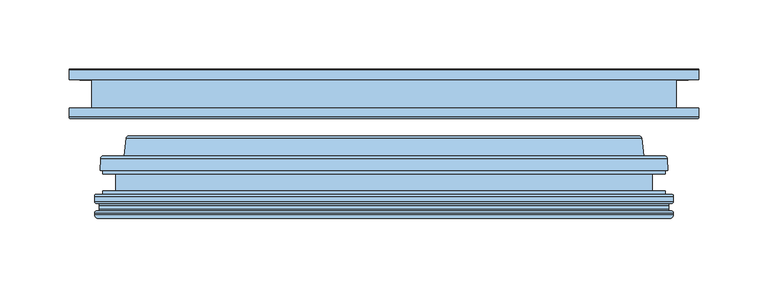
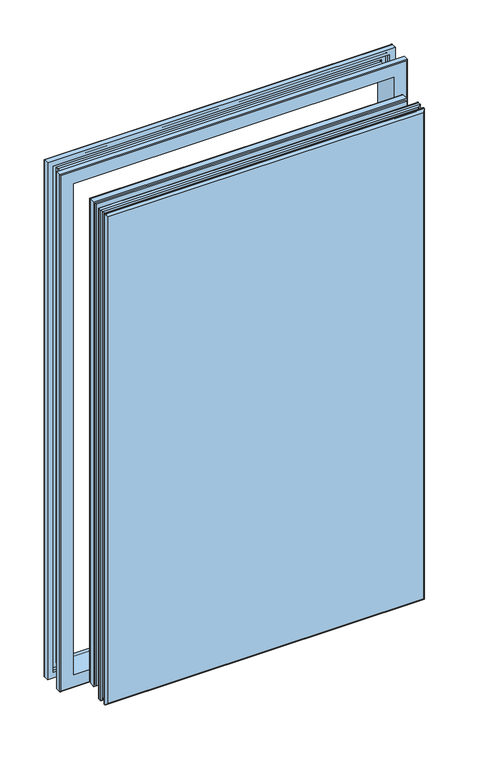
"""IFC4 building model written with IfcOpenShell, lengths in millimetres: window geometry."""

import ifcopenshell
import ifcopenshell.guid

model = None  # the IFC model being written
_history = None  # IfcOwnerHistory: only IFC2X3 demands one
_inside = {}  # id of a spatial element -> (the spatial element, [elements in it])
_under = {}  # id of a project, library or spatial element -> (it, [spatial elements below it])
_declared = {}  # id of a project -> (the project, [libraries it declares])
_typed = {}  # id of a type object -> (the type object, [elements of that type])
_made_of = {}  # id of a material, layer set ... -> (it, [elements and type objects made of it])


def new_model(schema):
    """Start an empty IFC model of exactly this schema.

    Asked for "IFC4X3", IfcOpenShell would pick the latest addendum, in which some entities
    have other attributes; the version numbers below select the first issue.
    IFC2X3 requires an IfcOwnerHistory on every rooted entity: one is made here for all.
    """
    global model, _history
    if schema == "IFC4X3":
        model = ifcopenshell.file(schema_version=(4, 3, 0, 0))
    else:
        model = ifcopenshell.file(schema=schema)
    _inside.clear()
    _under.clear()
    _declared.clear()
    _typed.clear()
    _made_of.clear()
    _history = None
    if model.schema == "IFC2X3":
        org = make("IfcOrganization", Name="unknown")
        user = make(
            "IfcPersonAndOrganization",
            ThePerson=make("IfcPerson", FamilyName="unknown"),
            TheOrganization=org,
        )
        app = make(
            "IfcApplication",
            ApplicationDeveloper=org,
            Version="unknown",
            ApplicationFullName="unknown",
            ApplicationIdentifier="unknown",
        )
        _history = make(
            "IfcOwnerHistory",
            OwningUser=user,
            OwningApplication=app,
            ChangeAction="ADDED",
            CreationDate=0,
        )
    return model


def make(cls, **values):
    """One entity of the class cls with the attributes given. An attribute that is None is left unset."""
    return model.create_entity(
        cls, **{name: value for name, value in values.items() if value is not None}
    )


def rooted(cls, **values):
    """An entity with a GlobalId (a new one), such as an element, a storey or a relation."""
    return make(cls, GlobalId=ifcopenshell.guid.new(), OwnerHistory=_history, **values)


def si_unit(unit_type, name, prefix=None):
    """IfcSIUnit, for example si_unit("LENGTHUNIT", "METRE", prefix="MILLI")."""
    return make("IfcSIUnit", UnitType=unit_type, Prefix=prefix, Name=name)


def assignment(units):
    """IfcUnitAssignment: the units of a project."""
    return None if units is None else make("IfcUnitAssignment", Units=units)


def point(xyz):
    """IfcCartesianPoint."""
    return None if xyz is None else make("IfcCartesianPoint", Coordinates=xyz)


def direction(xyz):
    """IfcDirection."""
    return None if xyz is None else make("IfcDirection", DirectionRatios=xyz)


def frame(location, z_axis=None, x_axis=None):
    """IfcAxis2Placement3D, a coordinate frame: its origin and axes. An axis left out is left unset."""
    return make(
        "IfcAxis2Placement3D",
        Location=point(location),
        Axis=direction(z_axis),
        RefDirection=direction(x_axis),
    )


def origin():
    """The frame at (0, 0, 0) with its axes left unset."""
    return frame((0.0, 0.0, 0.0))


def place(relative_to, where):
    """IfcLocalPlacement: puts the frame where relative to a parent placement (None: the world)."""
    return make(
        "IfcLocalPlacement", PlacementRelTo=relative_to, RelativePlacement=where
    )


def context(
    kind, dimensions, precision=None, world=None, true_north=None, identifier=None
):
    """IfcGeometricRepresentationContext, for example the 3D "Model" context."""
    return make(
        "IfcGeometricRepresentationContext",
        ContextIdentifier=identifier,
        ContextType=kind,
        CoordinateSpaceDimension=dimensions,
        Precision=precision,
        WorldCoordinateSystem=world,
        TrueNorth=true_north,
    )


def project(units=None, contexts=None):
    """IfcProject with its units and contexts."""
    return rooted(
        "IfcProject",
        Name="project",
        RepresentationContexts=contexts,
        UnitsInContext=assignment(units),
    )


def spatial(cls, under=None, at=None, **own):
    """A site, building, storey or space (cls), placed at a placement, below another one or the project."""
    s = rooted(cls, ObjectPlacement=at, **own)
    if under is not None:
        _under.setdefault(under.id(), (under, []))[1].append(s)
    return s


def polyline(points):
    """IfcPolyline through the points."""
    return make("IfcPolyline", Points=[point(p) for p in points])


def ellipse_curve(where, semi_axis1, semi_axis2):
    """IfcEllipse in the frame where."""
    return make(
        "IfcEllipse", Position=where, SemiAxis1=semi_axis1, SemiAxis2=semi_axis2
    )


def shape(context_of_items, identifier, shape_type, items):
    """IfcShapeRepresentation: the items that make up one representation, for example the "Body"."""
    return make(
        "IfcShapeRepresentation",
        ContextOfItems=context_of_items,
        RepresentationIdentifier=identifier,
        RepresentationType=shape_type,
        Items=items,
    )


def source(mapping_origin, context_of_items, identifier, shape_type, items):
    """IfcRepresentationMap: a shape defined once, which mapped items show again and again."""
    return make(
        "IfcRepresentationMap",
        MappingOrigin=mapping_origin,
        MappedRepresentation=shape(context_of_items, identifier, shape_type, items),
    )


def transform(
    local_origin,
    x_axis=None,
    y_axis=None,
    z_axis=None,
    scale=None,
    scale2=None,
    scale3=None,
    uniform=True,
):
    """IfcCartesianTransformationOperator3D, or its non-uniform kind. x_axis, y_axis, z_axis: its Axis1, 2, 3."""
    if uniform:
        return make(
            "IfcCartesianTransformationOperator3D",
            Axis1=direction(x_axis),
            Axis2=direction(y_axis),
            LocalOrigin=point(local_origin),
            Scale=scale,
            Axis3=direction(z_axis),
        )
    return make(
        "IfcCartesianTransformationOperator3DnonUniform",
        Axis1=direction(x_axis),
        Axis2=direction(y_axis),
        LocalOrigin=point(local_origin),
        Scale=scale,
        Axis3=direction(z_axis),
        Scale2=scale2,
        Scale3=scale3,
    )


def mapped(mapping_source, mapping_target):
    """IfcMappedItem: shows the shape of a source again, moved by a transform."""
    return make(
        "IfcMappedItem", MappingSource=mapping_source, MappingTarget=mapping_target
    )


def made_of(thing, what):
    """Note that an element or type object is made of a material, layer set ...; save() writes the relation."""
    if what is not None:
        _made_of.setdefault(what.id(), (what, []))[1].append(thing)
    return thing


def element(
    cls,
    number,
    at=None,
    inside=None,
    cuts=None,
    type_object=None,
    material=None,
    context=None,
    identifier="Body",
    shape_type=None,
    held_by="IfcProductDefinitionShape",
    body=None,
    shapes=None,
    **own,
):
    """One element of the class cls, such as IfcWall. Its Tag is "e" and its number.

    at: its placement. inside: the storey or other place that contains it. cuts: it is an
    opening in that element (IfcRelVoidsElement). A single representation is given by context,
    identifier, shape_type and body (its items); several are given by shapes. held_by: the class
    of the entity that holds the representations. save() writes the other relations.
    """
    e = rooted(cls, Tag="e%d" % number, ObjectPlacement=at, **own)
    if body is not None:
        shapes = [shape(context, identifier, shape_type, body)]
    if shapes is not None:
        e.Representation = make(held_by, Representations=shapes)
    if inside is not None:
        _inside.setdefault(inside.id(), (inside, []))[1].append(e)
    if cuts is not None:
        rooted(
            "IfcRelVoidsElement", RelatingBuildingElement=cuts, RelatedOpeningElement=e
        )
    if type_object is not None:
        _typed.setdefault(type_object.id(), (type_object, []))[1].append(e)
    return made_of(e, material)


def aggregate(whole, parts):
    """IfcRelAggregates: a whole, such as a stair, and the parts it consists of."""
    return rooted("IfcRelAggregates", RelatingObject=whole, RelatedObjects=parts)


def save(model, path):
    """Write the relations noted so far, then the file.

    IfcRelAggregates (storeys below a building ...), IfcRelContainedInSpatialStructure (elements
    in a storey), IfcRelDefinesByType, IfcRelAssociatesMaterial and IfcRelDeclares: one each for
    every whole, place, type object, material and project.
    """
    for whole, parts in _under.values():
        aggregate(whole, parts)
    for where, things in _inside.values():
        rooted(
            "IfcRelContainedInSpatialStructure",
            RelatedElements=things,
            RelatingStructure=where,
        )
    for kind, things in _typed.values():
        rooted("IfcRelDefinesByType", RelatedObjects=things, RelatingType=kind)
    for what, things in _made_of.values():
        rooted("IfcRelAssociatesMaterial", RelatedObjects=things, RelatingMaterial=what)
    for by, libraries in _declared.values():
        rooted("IfcRelDeclares", RelatingContext=by, RelatedDefinitions=libraries)
    model.write(path)


def plane_surface(at):
    """IfcPlane: the flat surface through the origin of the frame at, square to its z axis."""
    return make("IfcPlane", Position=at)


def cylinder_surface(at, radius):
    """IfcCylindricalSurface: all points at the distance radius from the z axis of the frame at."""
    return make("IfcCylindricalSurface", Position=at, Radius=radius)


def revolved_surface(curve, axis_point, axis_direction):
    """IfcSurfaceOfRevolution: the curve turned about the line through axis_point along axis_direction."""
    return make(
        "IfcSurfaceOfRevolution",
        SweptCurve=make("IfcArbitraryOpenProfileDef", ProfileType="CURVE", Curve=curve),
        AxisPosition=make("IfcAxis1Placement", Location=point(axis_point), Axis=direction(axis_direction)),
    )


def advanced_brep(points, edges, surfaces, faces):
    """IfcAdvancedBrep: a solid bounded by faces that lie on surfaces and meet in shared edges.

    An edge is (start, end): straight between two places in points (the first is 0);
    or (start, end, curve); or (start, end, curve, False) where it runs against its curve.
    A face is (place in surfaces, loops), or (place, loops, False) where it looks against
    its surface's normal. A loop lists edges by number (the first is 1), with a minus sign
    where the edge is run from its end to its start. The first loop is the outer one.
    """
    corners = [point(p) for p in points]
    vertices = [make("IfcVertexPoint", VertexGeometry=c) for c in corners]
    made = []
    for start, end, *more in edges:
        made.append(
            make(
                "IfcEdgeCurve",
                EdgeStart=vertices[start],
                EdgeEnd=vertices[end],
                EdgeGeometry=more[0] if more else make("IfcPolyline", Points=[corners[start], corners[end]]),
                SameSense=more[1] if len(more) > 1 else True,
            )
        )
    hull = []
    for where, loops, *sense in faces:
        bounds = []
        for j, loop in enumerate(loops):
            ring = [make("IfcOrientedEdge", EdgeElement=made[abs(k) - 1], Orientation=k > 0) for k in loop]
            bounds.append(
                make(
                    "IfcFaceOuterBound" if j == 0 else "IfcFaceBound",
                    Bound=make("IfcEdgeLoop", EdgeList=ring),
                    Orientation=True,
                )
            )
        hull.append(make("IfcAdvancedFace", Bounds=bounds, FaceSurface=surfaces[where], SameSense=sense[0] if sense else True))
    return make("IfcAdvancedBrep", Outer=make("IfcClosedShell", CfsFaces=hull))


def window_02a7ad2f(model_context):
    return source(origin(), model_context, "Body", "AdvancedBrep", [
        advanced_brep(
        [(228.0000041, 140.9513723, 1564.0000041), (228.0000041, 134.1513723, 1564.0000041), (228.0000041, 134.1513723, 847.9999959), (228.0000041, 140.9513723, 847.9999959), (227.0000041, 141.9513723, 1563.0000041), (227.0000041, 141.9513723, 848.9999959), (210.0000041, 105.9513722, 1546.0000041), (210.0000041, 141.9513723, 1546.0000041), (210.0000041, 141.9513723, 865.9999959), (210.0000041, 105.9513722, 865.9999959), (228.0000041, 106.9513722, 1564.0000041), (227.0000041, 105.9513722, 1563.0000041), (227.0000041, 105.9513722, 848.9999959), (228.0000041, 106.9513722, 847.9999959), (228.0000041, 113.7513722, 1564.0000041), (228.0000041, 113.7513722, 847.9999959), (220.4000041, 109.4513722, 1556.4000041), (220.4000041, 113.7513722, 1556.4000041), (220.4000041, 113.7513722, 855.5999959), (220.4000041, 109.4513722, 855.5999959), (218.9000041, 107.9513722, 1554.9000041), (218.9000041, 107.9513722, 857.0999959), (211.4000041, 109.4513722, 1547.4000041), (212.9000041, 107.9513722, 1548.9000041), (212.9000041, 107.9513722, 863.0999959), (211.4000041, 109.4513722, 864.5999959), (211.4000041, 138.4513723, 1547.4000041), (211.4000041, 138.4513723, 864.5999959), (212.9000041, 139.9513723, 1548.9000041), (212.9000041, 139.9513723, 863.0999959), (220.4000041, 138.4513723, 1556.4000041), (218.9000041, 139.9513723, 1554.9000041), (218.9000041, 139.9513723, 857.0999959), (220.4000041, 138.4513723, 855.5999959), (220.4000041, 134.1513723, 1556.4000041), (220.4000041, 134.1513723, 855.5999959), (-228.0000041, 134.1513723, 847.9999959), (-228.0000041, 140.9513723, 847.9999959), (-227.0000041, 141.9513723, 848.9999959), (-210.0000041, 141.9513723, 865.9999959), (-210.0000041, 105.9513722, 865.9999959), (-227.0000041, 105.9513722, 848.9999959), (-228.0000041, 106.9513722, 847.9999959), (-228.0000041, 113.7513722, 847.9999959), (-220.4000041, 113.7513722, 855.5999959), (-220.4000041, 109.4513722, 855.5999959), (-218.9000041, 107.9513722, 857.0999959), (-212.9000041, 107.9513722, 863.0999959), (-211.4000041, 109.4513722, 864.5999959), (-211.4000041, 138.4513723, 864.5999959), (-212.9000041, 139.9513723, 863.0999959), (-218.9000041, 139.9513723, 857.0999959), (-220.4000041, 138.4513723, 855.5999959), (-220.4000041, 134.1513723, 855.5999959), (-228.0000041, 134.1513723, 1564.0000041), (-228.0000041, 140.9513723, 1564.0000041), (-227.0000041, 141.9513723, 1563.0000041), (-210.0000041, 141.9513723, 1546.0000041), (-210.0000041, 105.9513722, 1546.0000041), (-227.0000041, 105.9513722, 1563.0000041), (-228.0000041, 106.9513722, 1564.0000041), (-228.0000041, 113.7513722, 1564.0000041), (-220.4000041, 113.7513722, 1556.4000041), (-220.4000041, 109.4513722, 1556.4000041), (-218.9000041, 107.9513722, 1554.9000041), (-212.9000041, 107.9513722, 1548.9000041), (-211.4000041, 109.4513722, 1547.4000041), (-211.4000041, 138.4513723, 1547.4000041), (-212.9000041, 139.9513723, 1548.9000041), (-218.9000041, 139.9513723, 1554.9000041), (-220.4000041, 138.4513723, 1556.4000041), (-220.4000041, 134.1513723, 1556.4000041)],
        [
            (0, 1),
            (1, 2),
            (2, 3),
            (3, 0),
            (4, 0, ellipse_curve(frame((227.0000041, 140.9513723, 1563.0000041), z_axis=(0.7071067811865475, 0.0, -0.7071067811865475), x_axis=(0.7071067811865474, 0.0, 0.7071067811865476)), 1.4142136, 1.0)),
            (3, 5, ellipse_curve(frame((227.0000041, 140.9513723, 848.9999959), z_axis=(0.7071067811865475, 0.0, 0.7071067811865475), x_axis=(-0.7071067811865474, 0.0, 0.7071067811865476)), 1.4142136, 1.0)),
            (5, 4),
            (6, 7),
            (7, 8),
            (8, 9),
            (9, 6),
            (10, 11, ellipse_curve(frame((227.0000041, 106.9513722, 1563.0000041), z_axis=(0.7071067811865475, 0.0, -0.7071067811865475), x_axis=(0.7071067811865474, 0.0, 0.7071067811865476)), 1.4142136, 1.0)),
            (11, 12),
            (12, 13, ellipse_curve(frame((227.0000041, 106.9513722, 848.9999959), z_axis=(0.7071067811865475, 0.0, 0.7071067811865475), x_axis=(-0.7071067811865474, 0.0, 0.7071067811865476)), 1.4142136, 1.0)),
            (13, 10),
            (14, 10),
            (13, 15),
            (15, 14),
            (16, 17),
            (17, 18),
            (18, 19),
            (19, 16),
            (20, 16, ellipse_curve(frame((218.9000041, 109.4513722, 1554.9000041), z_axis=(-0.7071067811865475, 0.0, 0.7071067811865475), x_axis=(-0.7071067811865474, 0.0, -0.7071067811865476)), 2.1213203, 1.5)),
            (19, 21, ellipse_curve(frame((218.9000041, 109.4513722, 857.0999959), z_axis=(-0.7071067811865475, 0.0, -0.7071067811865475), x_axis=(0.7071067811865474, 0.0, -0.7071067811865476)), 2.1213203, 1.5)),
            (21, 20),
            (22, 23, ellipse_curve(frame((212.9000041, 109.4513722, 1548.9000041), z_axis=(-0.7071067811865475, 0.0, 0.7071067811865475), x_axis=(-0.7071067811865474, 0.0, -0.7071067811865476)), 2.1213203, 1.5)),
            (23, 24),
            (24, 25, ellipse_curve(frame((212.9000041, 109.4513722, 863.0999959), z_axis=(-0.7071067811865475, 0.0, -0.7071067811865475), x_axis=(0.7071067811865474, 0.0, -0.7071067811865476)), 2.1213203, 1.5)),
            (25, 22),
            (26, 22),
            (25, 27),
            (27, 26),
            (28, 26, ellipse_curve(frame((212.9000041, 138.4513723, 1548.9000041), z_axis=(-0.7071067811865475, 0.0, 0.7071067811865475), x_axis=(-0.7071067811865474, 0.0, -0.7071067811865476)), 2.1213203, 1.5)),
            (27, 29, ellipse_curve(frame((212.9000041, 138.4513723, 863.0999959), z_axis=(-0.7071067811865475, 0.0, -0.7071067811865475), x_axis=(0.7071067811865474, 0.0, -0.7071067811865476)), 2.1213203, 1.5)),
            (29, 28),
            (30, 31, ellipse_curve(frame((218.9000041, 138.4513723, 1554.9000041), z_axis=(-0.7071067811865475, 0.0, 0.7071067811865475), x_axis=(-0.7071067811865474, 0.0, -0.7071067811865476)), 2.1213203, 1.5)),
            (31, 32),
            (32, 33, ellipse_curve(frame((218.9000041, 138.4513723, 857.0999959), z_axis=(-0.7071067811865475, 0.0, -0.7071067811865475), x_axis=(0.7071067811865474, 0.0, -0.7071067811865476)), 2.1213203, 1.5)),
            (33, 30),
            (34, 30),
            (33, 35),
            (35, 34),
            (2, 36),
            (36, 37),
            (37, 3),
            (37, 38, ellipse_curve(frame((-227.0000041, 140.9513723, 848.9999959), z_axis=(0.7071067811865475, 0.0, -0.7071067811865475), x_axis=(0.7071067811865476, 0.0, 0.7071067811865474)), 1.4142136, 1.0)),
            (38, 5),
            (8, 39),
            (39, 40),
            (40, 9),
            (12, 41),
            (41, 42, ellipse_curve(frame((-227.0000041, 106.9513722, 848.9999959), z_axis=(0.7071067811865475, 0.0, -0.7071067811865475), x_axis=(0.7071067811865476, 0.0, 0.7071067811865474)), 1.4142136, 1.0)),
            (42, 13),
            (42, 43),
            (43, 15),
            (18, 44),
            (44, 45),
            (45, 19),
            (45, 46, ellipse_curve(frame((-218.9000041, 109.4513722, 857.0999959), z_axis=(-0.7071067811865475, 0.0, 0.7071067811865475), x_axis=(-0.7071067811865476, 0.0, -0.7071067811865474)), 2.1213203, 1.5)),
            (46, 21),
            (24, 47),
            (47, 48, ellipse_curve(frame((-212.9000041, 109.4513722, 863.0999959), z_axis=(-0.7071067811865475, 0.0, 0.7071067811865475), x_axis=(-0.7071067811865476, 0.0, -0.7071067811865474)), 2.1213203, 1.5)),
            (48, 25),
            (48, 49),
            (49, 27),
            (49, 50, ellipse_curve(frame((-212.9000041, 138.4513723, 863.0999959), z_axis=(-0.7071067811865475, 0.0, 0.7071067811865475), x_axis=(-0.7071067811865476, 0.0, -0.7071067811865474)), 2.1213203, 1.5)),
            (50, 29),
            (32, 51),
            (51, 52, ellipse_curve(frame((-218.9000041, 138.4513723, 857.0999959), z_axis=(-0.7071067811865475, 0.0, 0.7071067811865475), x_axis=(-0.7071067811865476, 0.0, -0.7071067811865474)), 2.1213203, 1.5)),
            (52, 33),
            (52, 53),
            (53, 35),
            (36, 54),
            (54, 55),
            (55, 37),
            (55, 56, ellipse_curve(frame((-227.0000041, 140.9513723, 1563.0000041), z_axis=(-0.7071067811865475, 0.0, -0.7071067811865475), x_axis=(0.7071067811865474, 0.0, -0.7071067811865476)), 1.4142136, 1.0)),
            (56, 38),
            (39, 57),
            (57, 58),
            (58, 40),
            (41, 59),
            (59, 60, ellipse_curve(frame((-227.0000041, 106.9513722, 1563.0000041), z_axis=(-0.7071067811865475, 0.0, -0.7071067811865475), x_axis=(0.7071067811865474, 0.0, -0.7071067811865476)), 1.4142136, 1.0)),
            (60, 42),
            (60, 61),
            (61, 43),
            (44, 62),
            (62, 63),
            (63, 45),
            (63, 64, ellipse_curve(frame((-218.9000041, 109.4513722, 1554.9000041), z_axis=(0.7071067811865475, 0.0, 0.7071067811865475), x_axis=(-0.7071067811865474, 0.0, 0.7071067811865476)), 2.1213203, 1.5)),
            (64, 46),
            (47, 65),
            (65, 66, ellipse_curve(frame((-212.9000041, 109.4513722, 1548.9000041), z_axis=(0.7071067811865475, 0.0, 0.7071067811865475), x_axis=(-0.7071067811865474, 0.0, 0.7071067811865476)), 2.1213203, 1.5)),
            (66, 48),
            (66, 67),
            (67, 49),
            (67, 68, ellipse_curve(frame((-212.9000041, 138.4513723, 1548.9000041), z_axis=(0.7071067811865475, 0.0, 0.7071067811865475), x_axis=(-0.7071067811865474, 0.0, 0.7071067811865476)), 2.1213203, 1.5)),
            (68, 50),
            (51, 69),
            (69, 70, ellipse_curve(frame((-218.9000041, 138.4513723, 1554.9000041), z_axis=(0.7071067811865475, 0.0, 0.7071067811865475), x_axis=(-0.7071067811865474, 0.0, 0.7071067811865476)), 2.1213203, 1.5)),
            (70, 52),
            (70, 71),
            (71, 53),
            (54, 1),
            (0, 55),
            (4, 56),
            (7, 57),
            (6, 58),
            (11, 59),
            (10, 60),
            (14, 61),
            (17, 62),
            (16, 63),
            (20, 64),
            (23, 65),
            (22, 66),
            (26, 67),
            (28, 68),
            (31, 69),
            (30, 70),
            (34, 71),
        ],
        [
            plane_surface(frame((228.0000041, 134.1513723, 1564.0000041), z_axis=(1.0, 0.0, 0.0), x_axis=(0.0, 0.0, -1.0))),
            cylinder_surface(frame((227.0000041, 140.9513723, 1559.0), z_axis=(0.0, 0.0, 1.0), x_axis=(0.0, -1.0, 0.0)), 1.0),
            plane_surface(frame((210.0000041, 141.9513723, 1546.0000041), z_axis=(-1.0, 0.0, 0.0), x_axis=(0.0, 0.0, -1.0))),
            cylinder_surface(frame((227.0000041, 106.9513722, 1559.0), z_axis=(0.0, 0.0, 1.0), x_axis=(0.0, -1.0, 0.0)), 1.0),
            plane_surface(frame((228.0000041, 106.9513722, 1564.0000041), z_axis=(1.0, 0.0, 0.0), x_axis=(0.0, 0.0, -1.0))),
            plane_surface(frame((220.4000041, 113.7513722, 1556.4000041), z_axis=(-1.0, 0.0, 0.0), x_axis=(0.0, 0.0, -1.0))),
            revolved_surface(polyline([(218.9000041, 107.9513722, 855.5999959), (218.9000041, 107.9513722, 1556.4000041)]), (218.9000041, 109.4513722, 1559.0), (0.0, 0.0, -1.0)),
            revolved_surface(polyline([(212.9000041, 107.9513722, 861.5999959308012), (212.9000041, 107.9513722, 1550.4000040691985)]), (212.9000041, 109.4513722, 1559.0), (0.0, 0.0, -1.0)),
            plane_surface(frame((211.4000041, 109.4513722, 1547.4000041), z_axis=(1.0, 0.0, 0.0), x_axis=(0.0, 0.0, -1.0))),
            revolved_surface(polyline([(212.9000041, 136.9513723, 861.5999959308012), (212.9000041, 136.9513723, 1550.4000040691985)]), (212.9000041, 138.4513723, 1559.0), (0.0, 0.0, -1.0)),
            revolved_surface(polyline([(218.9000041, 136.9513723, 855.5999959), (218.9000041, 136.9513723, 1556.4000041)]), (218.9000041, 138.4513723, 1559.0), (0.0, 0.0, -1.0)),
            plane_surface(frame((220.4000041, 138.4513723, 1556.4000041), z_axis=(-1.0, 0.0, 0.0), x_axis=(0.0, 0.0, -1.0))),
            plane_surface(frame((228.0000041, 134.1513723, 847.9999959), z_axis=(0.0, 0.0, -1.0), x_axis=(-1.0, 0.0, 0.0))),
            cylinder_surface(frame((223.0, 140.9513723, 848.9999959), z_axis=(1.0, 0.0, 0.0), x_axis=(0.0, -1.0, 0.0)), 1.0),
            plane_surface(frame((210.0000041, 141.9513723, 865.9999959), z_axis=(0.0, 0.0, 1.0), x_axis=(-1.0, 0.0, 0.0))),
            cylinder_surface(frame((223.0, 106.9513722, 848.9999959), z_axis=(1.0, 0.0, 0.0), x_axis=(0.0, -1.0, 0.0)), 1.0),
            plane_surface(frame((228.0000041, 106.9513722, 847.9999959), z_axis=(0.0, 0.0, -1.0), x_axis=(-1.0, 0.0, 0.0))),
            plane_surface(frame((220.4000041, 113.7513722, 855.5999959), z_axis=(0.0, 0.0, 1.0), x_axis=(-1.0, 0.0, 0.0))),
            revolved_surface(polyline([(-220.4000041, 107.9513722, 857.0999959), (220.4000041, 107.9513722, 857.0999959)]), (223.0, 109.4513722, 857.0999959), (-1.0, 0.0, 0.0)),
            revolved_surface(polyline([(-214.40000406919864, 107.9513722, 863.0999959), (214.40000406919867, 107.9513722, 863.0999959)]), (223.0, 109.4513722, 863.0999959), (-1.0, 0.0, 0.0)),
            plane_surface(frame((211.4000041, 109.4513722, 864.5999959), z_axis=(0.0, 0.0, -1.0), x_axis=(-1.0, 0.0, 0.0))),
            revolved_surface(polyline([(-214.40000406919864, 136.9513723, 863.0999959), (214.40000406919867, 136.9513723, 863.0999959)]), (223.0, 138.4513723, 863.0999959), (-1.0, 0.0, 0.0)),
            revolved_surface(polyline([(-220.4000041, 136.9513723, 857.0999959), (220.4000041, 136.9513723, 857.0999959)]), (223.0, 138.4513723, 857.0999959), (-1.0, 0.0, 0.0)),
            plane_surface(frame((220.4000041, 138.4513723, 855.5999959), z_axis=(0.0, 0.0, 1.0), x_axis=(-1.0, 0.0, 0.0))),
            plane_surface(frame((-228.0000041, 134.1513723, 847.9999959), z_axis=(-1.0, 0.0, 0.0), x_axis=(0.0, 0.0, 1.0))),
            cylinder_surface(frame((-227.0000041, 140.9513723, 853.0), z_axis=(0.0, 0.0, -1.0), x_axis=(0.0, -1.0, 0.0)), 1.0),
            plane_surface(frame((-210.0000041, 141.9513723, 865.9999959), z_axis=(1.0, 0.0, 0.0), x_axis=(0.0, 0.0, 1.0))),
            cylinder_surface(frame((-227.0000041, 106.9513722, 853.0), z_axis=(0.0, 0.0, -1.0), x_axis=(0.0, -1.0, 0.0)), 1.0),
            plane_surface(frame((-228.0000041, 106.9513722, 847.9999959), z_axis=(-1.0, 0.0, 0.0), x_axis=(0.0, 0.0, 1.0))),
            plane_surface(frame((-220.4000041, 113.7513722, 855.5999959), z_axis=(1.0, 0.0, 0.0), x_axis=(0.0, 0.0, 1.0))),
            revolved_surface(polyline([(-218.9000041, 107.9513722, 1556.4000041), (-218.9000041, 107.9513722, 855.5999959)]), (-218.9000041, 109.4513722, 853.0), (0.0, 0.0, 1.0)),
            revolved_surface(polyline([(-212.9000041, 107.9513722, 1550.4000040691985), (-212.9000041, 107.9513722, 861.5999959308012)]), (-212.9000041, 109.4513722, 853.0), (0.0, 0.0, 1.0)),
            plane_surface(frame((-211.4000041, 109.4513722, 864.5999959), z_axis=(-1.0, 0.0, 0.0), x_axis=(0.0, 0.0, 1.0))),
            revolved_surface(polyline([(-212.9000041, 136.9513723, 1550.4000040691985), (-212.9000041, 136.9513723, 861.5999959308012)]), (-212.9000041, 138.4513723, 853.0), (0.0, 0.0, 1.0)),
            revolved_surface(polyline([(-218.9000041, 136.9513723, 1556.4000041), (-218.9000041, 136.9513723, 855.5999959)]), (-218.9000041, 138.4513723, 853.0), (0.0, 0.0, 1.0)),
            plane_surface(frame((-220.4000041, 138.4513723, 855.5999959), z_axis=(1.0, 0.0, 0.0), x_axis=(0.0, 0.0, 1.0))),
            plane_surface(frame((-228.0000041, 134.1513723, 1564.0000041), z_axis=(0.0, 0.0, 1.0), x_axis=(1.0, 0.0, 0.0))),
            cylinder_surface(frame((-223.0, 140.9513723, 1563.0000041), z_axis=(-1.0, 0.0, 0.0), x_axis=(0.0, -1.0, 0.0)), 1.0),
            plane_surface(frame((-227.0000041, 141.9513723, 1563.0000041), z_axis=(0.0, 1.0, 0.0), x_axis=(1.0, 0.0, 0.0))),
            plane_surface(frame((-210.0000041, 141.9513723, 1546.0000041), z_axis=(0.0, 0.0, -1.0), x_axis=(1.0, 0.0, 0.0))),
            plane_surface(frame((-210.0000041, 105.9513722, 1546.0000041), z_axis=(0.0, -1.0, 0.0), x_axis=(1.0, 0.0, 0.0))),
            cylinder_surface(frame((-223.0, 106.9513722, 1563.0000041), z_axis=(-1.0, 0.0, 0.0), x_axis=(0.0, -1.0, 0.0)), 1.0),
            plane_surface(frame((-228.0000041, 106.9513722, 1564.0000041), z_axis=(0.0, 0.0, 1.0), x_axis=(1.0, 0.0, 0.0))),
            plane_surface(frame((-228.0000041, 113.7513722, 1564.0000041), z_axis=(0.0, 1.0, 0.0), x_axis=(1.0, 0.0, 0.0))),
            plane_surface(frame((-220.4000041, 113.7513722, 1556.4000041), z_axis=(0.0, 0.0, -1.0), x_axis=(1.0, 0.0, 0.0))),
            revolved_surface(polyline([(220.4000041, 107.9513722, 1554.9000041), (-220.4000041, 107.9513722, 1554.9000041)]), (-223.0, 109.4513722, 1554.9000041), (1.0, 0.0, 0.0)),
            plane_surface(frame((-218.9000041, 107.9513722, 1554.9000041), z_axis=(0.0, 1.0, 0.0), x_axis=(1.0, 0.0, 0.0))),
            revolved_surface(polyline([(214.40000406919864, 107.9513722, 1548.9000041), (-214.40000406919867, 107.9513722, 1548.9000041)]), (-223.0, 109.4513722, 1548.9000041), (1.0, 0.0, 0.0)),
            plane_surface(frame((-211.4000041, 109.4513722, 1547.4000041), z_axis=(0.0, 0.0, 1.0), x_axis=(1.0, 0.0, 0.0))),
            revolved_surface(polyline([(214.40000406919864, 136.9513723, 1548.9000041), (-214.40000406919867, 136.9513723, 1548.9000041)]), (-223.0, 138.4513723, 1548.9000041), (1.0, 0.0, 0.0)),
            plane_surface(frame((-212.9000041, 139.9513723, 1548.9000041), z_axis=(0.0, -1.0, 0.0), x_axis=(1.0, 0.0, 0.0))),
            revolved_surface(polyline([(220.4000041, 136.9513723, 1554.9000041), (-220.4000041, 136.9513723, 1554.9000041)]), (-223.0, 138.4513723, 1554.9000041), (1.0, 0.0, 0.0)),
            plane_surface(frame((-220.4000041, 138.4513723, 1556.4000041), z_axis=(0.0, 0.0, -1.0), x_axis=(1.0, 0.0, 0.0))),
            plane_surface(frame((-220.4000041, 134.1513723, 1556.4000041), z_axis=(0.0, -1.0, 0.0), x_axis=(1.0, 0.0, 0.0))),
        ],
        [
            (0, [[1, 2, 3, 4]]),
            (1, [[5, -4, 6, 7]]),
            (2, [[8, 9, 10, 11]]),
            (3, [[12, 13, 14, 15]]),
            (4, [[16, -15, 17, 18]]),
            (5, [[19, 20, 21, 22]]),
            (6, [[23, -22, 24, 25]]),
            (7, [[26, 27, 28, 29]]),
            (8, [[30, -29, 31, 32]]),
            (9, [[33, -32, 34, 35]]),
            (10, [[36, 37, 38, 39]]),
            (11, [[40, -39, 41, 42]]),
            (12, [[-3, 43, 44, 45]]),
            (13, [[-6, -45, 46, 47]]),
            (14, [[-10, 48, 49, 50]]),
            (15, [[-14, 51, 52, 53]]),
            (16, [[-17, -53, 54, 55]]),
            (17, [[-21, 56, 57, 58]]),
            (18, [[-24, -58, 59, 60]]),
            (19, [[-28, 61, 62, 63]]),
            (20, [[-31, -63, 64, 65]]),
            (21, [[-34, -65, 66, 67]]),
            (22, [[-38, 68, 69, 70]]),
            (23, [[-41, -70, 71, 72]]),
            (24, [[-44, 73, 74, 75]]),
            (25, [[-46, -75, 76, 77]]),
            (26, [[-49, 78, 79, 80]]),
            (27, [[-52, 81, 82, 83]]),
            (28, [[-54, -83, 84, 85]]),
            (29, [[-57, 86, 87, 88]]),
            (30, [[-59, -88, 89, 90]]),
            (31, [[-62, 91, 92, 93]]),
            (32, [[-64, -93, 94, 95]]),
            (33, [[-66, -95, 96, 97]]),
            (34, [[-69, 98, 99, 100]]),
            (35, [[-71, -100, 101, 102]]),
            (36, [[-74, 103, -1, 104]]),
            (37, [[-76, -104, -5, 105]]),
            (38, [[-47, -77, -105, -7], [106, -78, -48, -9]]),
            (39, [[-79, -106, -8, 107]]),
            (40, [[108, -81, -51, -13], [-50, -80, -107, -11]]),
            (41, [[-82, -108, -12, 109]]),
            (42, [[-84, -109, -16, 110]]),
            (43, [[-55, -85, -110, -18], [111, -86, -56, -20]]),
            (44, [[-87, -111, -19, 112]]),
            (45, [[-89, -112, -23, 113]]),
            (46, [[-60, -90, -113, -25], [114, -91, -61, -27]]),
            (47, [[-92, -114, -26, 115]]),
            (48, [[-94, -115, -30, 116]]),
            (49, [[-96, -116, -33, 117]]),
            (50, [[118, -98, -68, -37], [-67, -97, -117, -35]]),
            (51, [[-99, -118, -36, 119]]),
            (52, [[-101, -119, -40, 120]]),
            (53, [[-103, -73, -43, -2], [-72, -102, -120, -42]]),
        ],
    ),
        advanced_brep(
        [(-206.5406707, 33.4513689, 1542.5), (-206.5406707, 33.4513689, 869.4595669), (206.5, 33.4513689, 869.4595669), (206.5, 33.4513689, 1542.5), (-209.5406707, 36.4513689, 1545.5), (-209.5406707, 36.4513689, 866.4595669), (209.5, 36.4513689, 866.4595669), (209.5, 36.4513689, 1545.5), (-186.5319149, 91.6951076, 1522.4912442), (-184.5468226, 93.4513689, 1520.5061519), (-184.5468226, 93.4513689, 891.453415), (-186.5319149, 91.6951076, 889.4683227), (184.5061519, 93.4513689, 1520.5061519), (184.5061519, 93.4513689, 891.453415), (186.4912442, 91.6951076, 889.4683227), (186.4912442, 91.6951076, 1522.4912442), (-205.0870986, 77.0560408, 1541.0464279), (-203.0898395, 78.9513689, 1539.0491688), (-203.0898395, 78.9513689, 872.9103981), (-205.0870986, 77.0560408, 870.9131391), (203.0491688, 78.9513689, 1539.0491688), (203.0491688, 78.9513689, 872.9103981), (-188.0966493, 78.9513689, 887.9035884), (188.0559786, 78.9513689, 887.9035884), (188.0559786, 78.9513689, 1524.0559786), (-188.0966493, 78.9513689, 1524.0559786), (205.0464279, 77.0560408, 870.9131391), (-205.5406707, 68.4013689, 870.4595669), (-205.5406707, 68.4013689, 1541.5), (205.5, 68.4013689, 870.4595669), (205.5, 68.4013689, 1541.5), (-203.5406707, 68.4013689, 872.4595669), (-203.5406707, 68.4013689, 1539.5), (203.5, 68.4013689, 1539.5), (203.5, 68.4013689, 872.4595669), (-203.5406707, 65.9013689, 1539.5), (-203.5406707, 65.9013689, 872.4595669), (203.5, 65.9013689, 872.4595669), (203.5, 65.9013689, 1539.5), (-194.1406707, 65.9013689, 881.8595669), (-194.1406707, 65.9013689, 1530.1), (194.1, 65.9013689, 1530.1), (194.1, 65.9013689, 881.8595669), (-194.1406707, 53.6013689, 1530.1), (-194.1406707, 53.6013689, 881.8595669), (194.1, 53.6013689, 881.8595669), (-203.5406707, 53.6013689, 872.4595669), (-203.5406707, 53.6013689, 1539.5), (203.5, 53.6013689, 1539.5), (203.5, 53.6013689, 872.4595669), (194.1, 53.6013689, 1530.1), (-203.5406707, 51.1013689, 1539.5), (-203.5406707, 51.1013689, 872.4595669), (203.5, 51.1013689, 872.4595669), (-208.0406707, 51.1013689, 867.9595669), (-208.0406707, 51.1013689, 1544.0), (208.0, 51.1013689, 1544.0), (208.0, 51.1013689, 867.9595669), (203.5, 51.1013689, 1539.5), (-209.5406707, 49.6013689, 1545.5), (-209.5406707, 49.6013689, 866.4595669), (209.5, 49.6013689, 866.4595669), (-209.5406707, 45.9513689, 866.4595669), (-209.5406707, 45.9513689, 1545.5), (209.5, 45.9513689, 866.4595669), (-207.7940722, 44.471778, 868.2061654), (-207.7940722, 44.471778, 1543.7465985), (207.7534015, 44.471778, 868.2061654), (-206.0406707, 42.9513689, 869.9595669), (-206.0406707, 42.9513689, 1542.0), (206.0, 42.9513689, 869.9595669), (-206.0406707, 40.4513689, 869.9595669), (-206.0406707, 40.4513689, 1542.0), (206.0, 40.4513689, 869.9595669), (-206.4226367, 39.4513689, 869.5776009), (-206.4226367, 39.4513689, 1542.381966), (206.381966, 39.4513689, 869.5776009), (-207.7872692, 38.971778, 868.2129684), (-207.7872692, 38.971778, 1543.7534015), (207.7465985, 38.971778, 868.2129684), (-209.5406707, 37.4513689, 866.4595669), (-209.5406707, 37.4513689, 1545.5), (209.5, 37.4513689, 866.4595669), (205.0464279, 77.0560408, 1541.0464279), (209.5, 49.6013689, 1545.5), (209.5, 45.9513689, 1545.5), (207.7534015, 44.471778, 1543.7534015), (206.0, 42.9513689, 1542.0), (206.0, 40.4513689, 1542.0), (206.381966, 39.4513689, 1542.381966), (207.7465985, 38.971778, 1543.7465985), (209.5, 37.4513689, 1545.5)],
        [
            (0, 1),
            (1, 2),
            (2, 3),
            (3, 0),
            (4, 5),
            (5, 1, ellipse_curve(frame((-206.5406707, 36.4513689, 869.4595669), z_axis=(-0.7071067811865475, 0.0, 0.7071067811865475), x_axis=(0.7071067811865474, 0.0, 0.7071067811865476)), 4.2426407, 3.0)),
            (0, 4, ellipse_curve(frame((-206.5406707, 36.4513689, 1542.5), z_axis=(-0.7071067811865475, 0.0, -0.7071067811865475), x_axis=(-0.7071067811865474, 0.0, 0.7071067811865476)), 4.2426407, 3.0)),
            (5, 6),
            (6, 2, ellipse_curve(frame((206.5, 36.4513689, 869.4595669), z_axis=(-0.7071067811865475, 0.0, -0.7071067811865475), x_axis=(-0.7071067811865476, 0.0, 0.7071067811865474)), 4.2426407, 3.0)),
            (6, 7),
            (7, 3, ellipse_curve(frame((206.5, 36.4513689, 1542.5), z_axis=(0.7071067811865475, 0.0, -0.7071067811865475), x_axis=(-0.7071067811865474, 0.0, -0.7071067811865476)), 4.2426407, 3.0)),
            (8, 9, ellipse_curve(frame((-184.5468226, 91.4513689, 1520.5061519), z_axis=(-0.7071067811865475, 0.0, -0.7071067811865475), x_axis=(-0.7071067811865474, 0.0, 0.7071067811865476)), 2.8284271, 2.0)),
            (9, 10),
            (10, 11, ellipse_curve(frame((-184.5468226, 91.4513689, 891.453415), z_axis=(-0.7071067811865475, 0.0, 0.7071067811865475), x_axis=(0.7071067811865474, 0.0, 0.7071067811865476)), 2.8284271, 2.0)),
            (11, 8),
            (9, 12),
            (12, 13),
            (13, 10),
            (14, 13, ellipse_curve(frame((184.5061519, 91.4513689, 891.453415), z_axis=(0.7071067811865475, 0.0, 0.7071067811865475), x_axis=(0.7071067811865474, 0.0, -0.7071067811865476)), 2.8284271, 2.0)),
            (12, 15, ellipse_curve(frame((184.5061519, 91.4513689, 1520.5061519), z_axis=(0.7071067811865475, 0.0, -0.7071067811865475), x_axis=(-0.7071067811865474, 0.0, -0.7071067811865476)), 2.8284271, 2.0)),
            (15, 14),
            (14, 11),
            (16, 17, ellipse_curve(frame((-203.0898395, 76.9513689, 1539.0491688), z_axis=(-0.7071067811865475, 0.0, -0.7071067811865475), x_axis=(-0.7071067811865474, 0.0, 0.7071067811865476)), 2.8284271, 2.0)),
            (17, 18),
            (18, 19, ellipse_curve(frame((-203.0898395, 76.9513689, 872.9103981), z_axis=(-0.7071067811865475, 0.0, 0.7071067811865475), x_axis=(0.7071067811865474, 0.0, 0.7071067811865476)), 2.8284271, 2.0)),
            (19, 16),
            (17, 20),
            (20, 21),
            (21, 18),
            (22, 23),
            (23, 24),
            (24, 25),
            (25, 22),
            (21, 26, ellipse_curve(frame((203.0491688, 76.9513689, 872.9103981), z_axis=(-0.7071067811865475, 0.0, -0.7071067811865475), x_axis=(-0.7071067811865476, 0.0, 0.7071067811865474)), 2.8284271, 2.0)),
            (26, 19),
            (19, 27),
            (27, 28),
            (28, 16),
            (26, 29),
            (29, 27),
            (29, 30),
            (30, 28),
            (31, 32),
            (32, 33),
            (33, 34),
            (34, 31),
            (35, 32),
            (31, 36),
            (36, 35),
            (34, 37),
            (37, 36),
            (37, 38),
            (38, 35),
            (39, 40),
            (40, 41),
            (41, 42),
            (42, 39),
            (43, 40),
            (39, 44),
            (44, 43),
            (42, 45),
            (45, 44),
            (46, 47),
            (47, 48),
            (48, 49),
            (49, 46),
            (45, 50),
            (50, 43),
            (51, 47),
            (46, 52),
            (52, 51),
            (49, 53),
            (53, 52),
            (54, 55),
            (55, 56),
            (56, 57),
            (57, 54),
            (53, 58),
            (58, 51),
            (59, 55, ellipse_curve(frame((-208.0406707, 49.6013689, 1544.0), z_axis=(-0.7071067811865475, 0.0, -0.7071067811865475), x_axis=(-0.7071067811865474, 0.0, 0.7071067811865476)), 2.1213203, 1.5)),
            (54, 60, ellipse_curve(frame((-208.0406707, 49.6013689, 867.9595669), z_axis=(-0.7071067811865475, 0.0, 0.7071067811865475), x_axis=(0.7071067811865474, 0.0, 0.7071067811865476)), 2.1213203, 1.5)),
            (60, 59),
            (57, 61, ellipse_curve(frame((208.0, 49.6013689, 867.9595669), z_axis=(-0.7071067811865475, 0.0, -0.7071067811865475), x_axis=(-0.7071067811865476, 0.0, 0.7071067811865474)), 2.1213203, 1.5)),
            (61, 60),
            (60, 62),
            (62, 63),
            (63, 59),
            (61, 64),
            (64, 62),
            (62, 65, ellipse_curve(frame((-208.0406707, 45.9513689, 867.9595669), z_axis=(-0.7071067811865475, 0.0, 0.7071067811865475), x_axis=(0.7071067811865474, 0.0, 0.7071067811865476)), 2.1213203, 1.5)),
            (65, 66),
            (66, 63, ellipse_curve(frame((-208.0406707, 45.9513689, 1544.0), z_axis=(-0.7071067811865475, 0.0, -0.7071067811865475), x_axis=(-0.7071067811865474, 0.0, 0.7071067811865476)), 2.1213203, 1.5)),
            (64, 67, ellipse_curve(frame((208.0, 45.9513689, 867.9595669), z_axis=(-0.7071067811865475, 0.0, -0.7071067811865475), x_axis=(-0.7071067811865476, 0.0, 0.7071067811865474)), 2.1213203, 1.5)),
            (67, 65),
            (65, 68, ellipse_curve(frame((-207.5406707, 42.9513689, 868.4595669), z_axis=(0.7071067811865475, 0.0, -0.7071067811865475), x_axis=(-0.7071067811865474, 0.0, -0.7071067811865476)), 2.1213203, 1.5)),
            (68, 69),
            (69, 66, ellipse_curve(frame((-207.5406707, 42.9513689, 1543.5), z_axis=(0.7071067811865475, 0.0, 0.7071067811865475), x_axis=(0.7071067811865474, 0.0, -0.7071067811865476)), 2.1213203, 1.5)),
            (67, 70, ellipse_curve(frame((207.5, 42.9513689, 868.4595669), z_axis=(0.7071067811865475, 0.0, 0.7071067811865475), x_axis=(0.7071067811865476, 0.0, -0.7071067811865474)), 2.1213203, 1.5)),
            (70, 68),
            (68, 71),
            (71, 72),
            (72, 69),
            (70, 73),
            (73, 71),
            (71, 74, ellipse_curve(frame((-207.5406707, 40.4513689, 868.4595669), z_axis=(0.7071067811865475, 0.0, -0.7071067811865475), x_axis=(-0.7071067811865474, 0.0, -0.7071067811865476)), 2.1213203, 1.5)),
            (74, 75),
            (75, 72, ellipse_curve(frame((-207.5406707, 40.4513689, 1543.5), z_axis=(0.7071067811865475, 0.0, 0.7071067811865475), x_axis=(0.7071067811865474, 0.0, -0.7071067811865476)), 2.1213203, 1.5)),
            (73, 76, ellipse_curve(frame((207.5, 40.4513689, 868.4595669), z_axis=(0.7071067811865475, 0.0, 0.7071067811865475), x_axis=(0.7071067811865476, 0.0, -0.7071067811865474)), 2.1213203, 1.5)),
            (76, 74),
            (74, 77, ellipse_curve(frame((-207.5406707, 40.4513689, 868.4595669), z_axis=(0.7071067811865475, 0.0, -0.7071067811865475), x_axis=(-0.7071067811865474, 0.0, -0.7071067811865476)), 2.1213203, 1.5)),
            (77, 78),
            (78, 75, ellipse_curve(frame((-207.5406707, 40.4513689, 1543.5), z_axis=(0.7071067811865475, 0.0, 0.7071067811865475), x_axis=(0.7071067811865474, 0.0, -0.7071067811865476)), 2.1213203, 1.5)),
            (76, 79, ellipse_curve(frame((207.5, 40.4513689, 868.4595669), z_axis=(0.7071067811865475, 0.0, 0.7071067811865475), x_axis=(0.7071067811865476, 0.0, -0.7071067811865474)), 2.1213203, 1.5)),
            (79, 77),
            (77, 80, ellipse_curve(frame((-208.0406707, 37.4513689, 867.9595669), z_axis=(-0.7071067811865475, 0.0, 0.7071067811865475), x_axis=(0.7071067811865474, 0.0, 0.7071067811865476)), 2.1213203, 1.5)),
            (80, 81),
            (81, 78, ellipse_curve(frame((-208.0406707, 37.4513689, 1544.0), z_axis=(-0.7071067811865475, 0.0, -0.7071067811865475), x_axis=(-0.7071067811865474, 0.0, 0.7071067811865476)), 2.1213203, 1.5)),
            (79, 82, ellipse_curve(frame((208.0, 37.4513689, 867.9595669), z_axis=(-0.7071067811865475, 0.0, -0.7071067811865475), x_axis=(-0.7071067811865476, 0.0, 0.7071067811865474)), 2.1213203, 1.5)),
            (82, 80),
            (80, 5),
            (4, 81),
            (82, 6),
            (20, 83, ellipse_curve(frame((203.0491688, 76.9513689, 1539.0491688), z_axis=(0.7071067811865475, 0.0, -0.7071067811865475), x_axis=(-0.7071067811865474, 0.0, -0.7071067811865476)), 2.8284271, 2.0)),
            (83, 26),
            (83, 30),
            (33, 38),
            (41, 50),
            (48, 58),
            (56, 84, ellipse_curve(frame((208.0, 49.6013689, 1544.0), z_axis=(0.7071067811865475, 0.0, -0.7071067811865475), x_axis=(-0.7071067811865474, 0.0, -0.7071067811865476)), 2.1213203, 1.5)),
            (84, 61),
            (84, 85),
            (85, 64),
            (85, 86, ellipse_curve(frame((208.0, 45.9513689, 1544.0), z_axis=(0.7071067811865475, 0.0, -0.7071067811865475), x_axis=(-0.7071067811865474, 0.0, -0.7071067811865476)), 2.1213203, 1.5)),
            (86, 67),
            (86, 87, ellipse_curve(frame((207.5, 42.9513689, 1543.5), z_axis=(-0.7071067811865475, 0.0, 0.7071067811865475), x_axis=(0.7071067811865474, 0.0, 0.7071067811865476)), 2.1213203, 1.5)),
            (87, 70),
            (87, 88),
            (88, 73),
            (88, 89, ellipse_curve(frame((207.5, 40.4513689, 1543.5), z_axis=(-0.7071067811865475, 0.0, 0.7071067811865475), x_axis=(0.7071067811865474, 0.0, 0.7071067811865476)), 2.1213203, 1.5)),
            (89, 76),
            (89, 90, ellipse_curve(frame((207.5, 40.4513689, 1543.5), z_axis=(-0.7071067811865475, 0.0, 0.7071067811865475), x_axis=(0.7071067811865474, 0.0, 0.7071067811865476)), 2.1213203, 1.5)),
            (90, 79),
            (90, 91, ellipse_curve(frame((208.0, 37.4513689, 1544.0), z_axis=(0.7071067811865475, 0.0, -0.7071067811865475), x_axis=(-0.7071067811865474, 0.0, -0.7071067811865476)), 2.1213203, 1.5)),
            (91, 82),
            (91, 7),
            (22, 11),
            (14, 23),
            (15, 24),
            (25, 8),
            (16, 83),
            (59, 84),
            (63, 85),
            (66, 86),
            (69, 87),
            (72, 88),
            (75, 89),
            (78, 90),
            (81, 91),
            (4, 7),
            (8, 15),
        ],
        [
            plane_surface(frame((-175.970388, 33.4513689, 1511.9297173), z_axis=(0.0, -1.0, 0.0), x_axis=(-1.0, 0.0, 0.0))),
            cylinder_surface(frame((-206.5406707, 36.4513689, 1600.0), z_axis=(0.0, 0.0, 1.0), x_axis=(1.0, 0.0, 0.0)), 3.0),
            cylinder_surface(frame((-264.0406707, 36.4513689, 869.4595669), z_axis=(-1.0, 0.0, 0.0), x_axis=(0.0, 0.0, 1.0)), 3.0),
            cylinder_surface(frame((206.5, 36.4513689, 811.9595669), z_axis=(0.0, 0.0, -1.0), x_axis=(-1.0, 0.0, 0.0)), 3.0),
            cylinder_surface(frame((-184.5468226, 91.4513689, 1600.0), z_axis=(0.0, 0.0, 1.0), x_axis=(1.0, 0.0, 0.0)), 2.0),
            plane_surface(frame((-175.970388, 93.4513689, 1511.9297173), z_axis=(0.0, 1.0, 0.0), x_axis=(1.0, 0.0, 0.0))),
            cylinder_surface(frame((184.5061519, 91.4513689, 811.9595669), z_axis=(0.0, 0.0, -1.0), x_axis=(-1.0, 0.0, 0.0)), 2.0),
            cylinder_surface(frame((-264.0406707, 91.4513689, 891.453415), z_axis=(-1.0, 0.0, 0.0), x_axis=(0.0, 0.0, 1.0)), 2.0),
            cylinder_surface(frame((-203.0898395, 76.9513689, 1600.0), z_axis=(0.0, 0.0, 1.0), x_axis=(1.0, 0.0, 0.0)), 2.0),
            plane_surface(frame((188.0559786, 78.9513689, 1524.0559786), z_axis=(0.0, 1.0, 0.0), x_axis=(-1.0, 0.0, 0.0))),
            cylinder_surface(frame((-264.0406707, 76.9513689, 872.9103981), z_axis=(-1.0, 0.0, 0.0), x_axis=(0.0, 0.0, 1.0)), 2.0),
            plane_surface(frame((-205.0870986, 77.0560408, 1541.0464279), z_axis=(-0.9986295347545738, 0.052335956242946506, 0.0), x_axis=(0.0, 0.0, -1.0))),
            plane_surface(frame((-205.0870986, 77.0560408, 870.9131391), z_axis=(0.0, 0.05233595624294331, -0.998629534754574), x_axis=(1.0, 0.0, 0.0))),
            plane_surface(frame((205.5, 68.4013689, 1541.5), z_axis=(0.0, -1.0, 0.0), x_axis=(-1.0, 0.0, 0.0))),
            plane_surface(frame((-203.5406707, 68.4013689, 1539.5), z_axis=(-1.0, 0.0, 0.0), x_axis=(0.0, 0.0, -1.0))),
            plane_surface(frame((-203.5406707, 68.4013689, 872.4595669), z_axis=(0.0, 0.0, -1.0), x_axis=(1.0, 0.0, 0.0))),
            plane_surface(frame((203.5, 65.9013689, 1539.5), z_axis=(0.0, -1.0, 0.0), x_axis=(-1.0, 0.0, 0.0))),
            plane_surface(frame((-194.1406707, 65.9013689, 1530.1), z_axis=(-1.0, 0.0, 0.0), x_axis=(0.0, 0.0, -1.0))),
            plane_surface(frame((-194.1406707, 65.9013689, 881.8595669), z_axis=(0.0, 0.0, -1.0), x_axis=(1.0, 0.0, 0.0))),
            plane_surface(frame((194.1, 53.6013689, 1530.1), z_axis=(0.0, 1.0, 0.0), x_axis=(-1.0, 0.0, 0.0))),
            plane_surface(frame((-203.5406707, 53.6013689, 1539.5), z_axis=(-1.0, 0.0, 0.0), x_axis=(0.0, 0.0, -1.0))),
            plane_surface(frame((-203.5406707, 53.6013689, 872.4595669), z_axis=(0.0, 0.0, -1.0), x_axis=(1.0, 0.0, 0.0))),
            plane_surface(frame((203.5, 51.1013689, 1539.5), z_axis=(0.0, 1.0, 0.0), x_axis=(-1.0, 0.0, 0.0))),
            cylinder_surface(frame((-208.0406707, 49.6013689, 1600.0), z_axis=(0.0, 0.0, 1.0), x_axis=(1.0, 0.0, 0.0)), 1.5),
            cylinder_surface(frame((-264.0406707, 49.6013689, 867.9595669), z_axis=(-1.0, 0.0, 0.0), x_axis=(0.0, 0.0, 1.0)), 1.5),
            plane_surface(frame((-209.5406707, 49.6013689, 1545.5), z_axis=(-1.0, 0.0, 0.0), x_axis=(0.0, 0.0, -1.0))),
            plane_surface(frame((-209.5406707, 49.6013689, 866.4595669), z_axis=(0.0, 0.0, -1.0), x_axis=(1.0, 0.0, 0.0))),
            cylinder_surface(frame((-208.0406707, 45.9513689, 1600.0), z_axis=(0.0, 0.0, 1.0), x_axis=(1.0, 0.0, 0.0)), 1.5),
            cylinder_surface(frame((-264.0406707, 45.9513689, 867.9595669), z_axis=(-1.0, 0.0, 0.0), x_axis=(0.0, 0.0, 1.0)), 1.5),
            revolved_surface(polyline([(-206.0406707, 42.9513689, 866.9595669308013), (-206.0406707, 42.9513689, 1544.9999999691986)]), (-207.5406707, 42.9513689, 1600.0), (0.0, 0.0, -1.0)),
            revolved_surface(polyline([(208.99999996919865, 42.9513689, 869.9595669), (-209.04067066919868, 42.9513689, 869.9595669)]), (-264.0406707, 42.9513689, 868.4595669), (1.0, 0.0, 0.0)),
            plane_surface(frame((-206.0406707, 42.9513689, 1542.0), z_axis=(-1.0, 0.0, 0.0), x_axis=(0.0, 0.0, -1.0))),
            plane_surface(frame((-206.0406707, 42.9513689, 869.9595669), z_axis=(0.0, 0.0, -1.0), x_axis=(1.0, 0.0, 0.0))),
            revolved_surface(polyline([(-206.0406707, 40.4513689, 866.9595669308013), (-206.0406707, 40.4513689, 1544.9999999691986)]), (-207.5406707, 40.4513689, 1600.0), (0.0, 0.0, -1.0)),
            revolved_surface(polyline([(208.99999996919865, 40.4513689, 869.9595669), (-209.04067066919868, 40.4513689, 869.9595669)]), (-264.0406707, 40.4513689, 868.4595669), (1.0, 0.0, 0.0)),
            cylinder_surface(frame((-208.0406707, 37.4513689, 1600.0), z_axis=(0.0, 0.0, 1.0), x_axis=(1.0, 0.0, 0.0)), 1.5),
            cylinder_surface(frame((-264.0406707, 37.4513689, 867.9595669), z_axis=(-1.0, 0.0, 0.0), x_axis=(0.0, 0.0, 1.0)), 1.5),
            plane_surface(frame((-209.5406707, 37.4513689, 1545.5), z_axis=(-1.0, 0.0, 0.0), x_axis=(0.0, 0.0, -1.0))),
            plane_surface(frame((-209.5406707, 37.4513689, 866.4595669), z_axis=(0.0, 0.0, -1.0), x_axis=(1.0, 0.0, 0.0))),
            cylinder_surface(frame((203.0491688, 76.9513689, 811.9595669), z_axis=(0.0, 0.0, -1.0), x_axis=(-1.0, 0.0, 0.0)), 2.0),
            plane_surface(frame((205.0464279, 77.0560408, 870.9131391), z_axis=(0.9986295347545742, 0.0523359562429401, 0.0), x_axis=(0.0, 0.0, 1.0))),
            plane_surface(frame((203.5, 68.4013689, 872.4595669), z_axis=(1.0, 0.0, 0.0), x_axis=(0.0, 0.0, 1.0))),
            plane_surface(frame((194.1, 65.9013689, 881.8595669), z_axis=(1.0, 0.0, 0.0), x_axis=(0.0, 0.0, 1.0))),
            plane_surface(frame((203.5, 53.6013689, 872.4595669), z_axis=(1.0, 0.0, 0.0), x_axis=(0.0, 0.0, 1.0))),
            cylinder_surface(frame((208.0, 49.6013689, 811.9595669), z_axis=(0.0, 0.0, -1.0), x_axis=(-1.0, 0.0, 0.0)), 1.5),
            plane_surface(frame((209.5, 49.6013689, 866.4595669), z_axis=(1.0, 0.0, 0.0), x_axis=(0.0, 0.0, 1.0))),
            cylinder_surface(frame((208.0, 45.9513689, 811.9595669), z_axis=(0.0, 0.0, -1.0), x_axis=(-1.0, 0.0, 0.0)), 1.5),
            revolved_surface(polyline([(206.0, 42.9513689, 1544.9999999691986), (206.0, 42.9513689, 866.9595669308013)]), (207.5, 42.9513689, 811.9595669), (0.0, 0.0, 1.0)),
            plane_surface(frame((206.0, 42.9513689, 869.9595669), z_axis=(1.0, 0.0, 0.0), x_axis=(0.0, 0.0, 1.0))),
            revolved_surface(polyline([(206.0, 40.4513689, 1544.9999999691986), (206.0, 40.4513689, 866.9595669308013)]), (207.5, 40.4513689, 811.9595669), (0.0, 0.0, 1.0)),
            cylinder_surface(frame((208.0, 37.4513689, 811.9595669), z_axis=(0.0, 0.0, -1.0), x_axis=(-1.0, 0.0, 0.0)), 1.5),
            plane_surface(frame((209.5, 37.4513689, 866.4595669), z_axis=(1.0, 0.0, 0.0), x_axis=(0.0, 0.0, 1.0))),
            plane_surface(frame((-186.5319149, 91.6951076, 889.4683227), z_axis=(0.0, 0.12186934340511825, -0.9925461516413258), x_axis=(1.0, 0.0, 0.0))),
            plane_surface(frame((186.4912442, 91.6951076, 889.4683227), z_axis=(0.9925461516413261, 0.12186934340511506, 0.0), x_axis=(0.0, 0.0, 1.0))),
            plane_surface(frame((-186.5319149, 91.6951076, 1522.4912442), z_axis=(-0.9925461516413253, 0.12186934340512143, 0.0), x_axis=(0.0, 0.0, -1.0))),
            cylinder_surface(frame((264.0, 76.9513689, 1539.0491688), z_axis=(1.0, 0.0, 0.0), x_axis=(0.0, 0.0, -1.0)), 2.0),
            plane_surface(frame((205.0464279, 77.0560408, 1541.0464279), z_axis=(0.0, 0.0523359562429433, 0.9986295347545739), x_axis=(-1.0, 0.0, 0.0))),
            plane_surface(frame((203.5, 68.4013689, 1539.5), z_axis=(0.0, 0.0, 1.0), x_axis=(-1.0, 0.0, 0.0))),
            plane_surface(frame((194.1, 65.9013689, 1530.1), z_axis=(0.0, 0.0, 1.0), x_axis=(-1.0, 0.0, 0.0))),
            plane_surface(frame((203.5, 53.6013689, 1539.5), z_axis=(0.0, 0.0, 1.0), x_axis=(-1.0, 0.0, 0.0))),
            cylinder_surface(frame((264.0, 49.6013689, 1544.0), z_axis=(1.0, 0.0, 0.0), x_axis=(0.0, 0.0, -1.0)), 1.5),
            plane_surface(frame((209.5, 49.6013689, 1545.5), z_axis=(0.0, 0.0, 1.0), x_axis=(-1.0, 0.0, 0.0))),
            cylinder_surface(frame((264.0, 45.9513689, 1544.0), z_axis=(1.0, 0.0, 0.0), x_axis=(0.0, 0.0, -1.0)), 1.5),
            revolved_surface(polyline([(-209.04067066919862, 42.9513689, 1542.0), (208.99999996919868, 42.9513689, 1542.0)]), (264.0, 42.9513689, 1543.5), (-1.0, 0.0, 0.0)),
            plane_surface(frame((206.0, 42.9513689, 1542.0), z_axis=(0.0, 0.0, 1.0), x_axis=(-1.0, 0.0, 0.0))),
            revolved_surface(polyline([(-209.04067066919862, 40.4513689, 1542.0), (208.99999996919868, 40.4513689, 1542.0)]), (264.0, 40.4513689, 1543.5), (-1.0, 0.0, 0.0)),
            cylinder_surface(frame((264.0, 37.4513689, 1544.0), z_axis=(1.0, 0.0, 0.0), x_axis=(0.0, 0.0, -1.0)), 1.5),
            plane_surface(frame((209.5, 37.4513689, 1545.5), z_axis=(0.0, 0.0, 1.0), x_axis=(-1.0, 0.0, 0.0))),
            cylinder_surface(frame((264.0, 36.4513689, 1542.5), z_axis=(1.0, 0.0, 0.0), x_axis=(0.0, 0.0, -1.0)), 3.0),
            cylinder_surface(frame((264.0, 91.4513689, 1520.5061519), z_axis=(1.0, 0.0, 0.0), x_axis=(0.0, 0.0, -1.0)), 2.0),
            plane_surface(frame((186.4912442, 91.6951076, 1522.4912442), z_axis=(0.0, 0.12186934340511824, 0.9925461516413256), x_axis=(-1.0, 0.0, 0.0))),
        ],
        [
            (0, [[1, 2, 3, 4]]),
            (1, [[5, 6, -1, 7]]),
            (2, [[-6, 8, 9, -2]]),
            (3, [[-9, 10, 11, -3]]),
            (4, [[12, 13, 14, 15]]),
            (5, [[-13, 16, 17, 18]]),
            (6, [[19, -17, 20, 21]]),
            (7, [[-14, -18, -19, 22]]),
            (8, [[23, 24, 25, 26]]),
            (9, [[-24, 27, 28, 29], [30, 31, 32, 33]]),
            (10, [[-25, -29, 34, 35]]),
            (11, [[-26, 36, 37, 38]]),
            (12, [[-36, -35, 39, 40]]),
            (13, [[-37, -40, 41, 42], [43, 44, 45, 46]]),
            (14, [[47, -43, 48, 49]]),
            (15, [[-48, -46, 50, 51]]),
            (16, [[-49, -51, 52, 53], [54, 55, 56, 57]]),
            (17, [[58, -54, 59, 60]]),
            (18, [[-59, -57, 61, 62]]),
            (19, [[63, 64, 65, 66], [-60, -62, 67, 68]]),
            (20, [[69, -63, 70, 71]]),
            (21, [[-70, -66, 72, 73]]),
            (22, [[74, 75, 76, 77], [-71, -73, 78, 79]]),
            (23, [[80, -74, 81, 82]]),
            (24, [[-81, -77, 83, 84]]),
            (25, [[-82, 85, 86, 87]]),
            (26, [[-85, -84, 88, 89]]),
            (27, [[-86, 90, 91, 92]]),
            (28, [[-90, -89, 93, 94]]),
            (29, [[-91, 95, 96, 97]]),
            (30, [[-95, -94, 98, 99]]),
            (31, [[-96, 100, 101, 102]]),
            (32, [[-100, -99, 103, 104]]),
            (33, [[-101, 105, 106, 107]]),
            (34, [[-105, -104, 108, 109]]),
            (33, [[-106, 110, 111, 112]]),
            (34, [[-110, -109, 113, 114]]),
            (35, [[-111, 115, 116, 117]]),
            (36, [[-115, -114, 118, 119]]),
            (37, [[-116, 120, -5, 121]]),
            (38, [[-120, -119, 122, -8]]),
            (39, [[-34, -28, 123, 124]]),
            (40, [[-39, -124, 125, -41]]),
            (41, [[-50, -45, 126, -52]]),
            (42, [[-61, -56, 127, -67]]),
            (43, [[-72, -65, 128, -78]]),
            (44, [[-83, -76, 129, 130]]),
            (45, [[-88, -130, 131, 132]]),
            (46, [[-93, -132, 133, 134]]),
            (47, [[-98, -134, 135, 136]]),
            (48, [[-103, -136, 137, 138]]),
            (49, [[-108, -138, 139, 140]]),
            (49, [[-113, -140, 141, 142]]),
            (50, [[-118, -142, 143, 144]]),
            (51, [[-122, -144, 145, -10]]),
            (52, [[-30, 146, -22, 147]]),
            (53, [[-31, -147, -21, 148]]),
            (54, [[-33, 149, -15, -146]]),
            (55, [[-23, 150, -123, -27]]),
            (56, [[-38, -42, -125, -150]]),
            (57, [[-47, -53, -126, -44]]),
            (58, [[-58, -68, -127, -55]]),
            (59, [[-69, -79, -128, -64]]),
            (60, [[-80, 151, -129, -75]]),
            (61, [[-87, 152, -131, -151]]),
            (62, [[-92, 153, -133, -152]]),
            (63, [[-97, 154, -135, -153]]),
            (64, [[-102, 155, -137, -154]]),
            (65, [[-107, 156, -139, -155]]),
            (65, [[-112, 157, -141, -156]]),
            (66, [[-117, 158, -143, -157]]),
            (67, [[-121, 159, -145, -158]]),
            (68, [[-7, -4, -11, -159]]),
            (69, [[-12, 160, -20, -16]]),
            (70, [[-32, -148, -160, -149]]),
        ],
    ),
    ])


if __name__ == "__main__":
    model = new_model("IFC4")
    model_context = context("Model", 3, world=origin())
    ifc_project = project(units=[si_unit("LENGTHUNIT", "METRE", prefix="MILLI")], contexts=[model_context])
    site = spatial("IfcSite", under=ifc_project)
    building = spatial("IfcBuilding", under=site)
    placement = place(None, origin())
    window_shape = window_02a7ad2f(model_context)
    element("IfcWindow", 1, at=placement, inside=building, context=model_context, shape_type="MappedRepresentation", body=[
        mapped(window_shape, transform((0.0, 0.0, 0.0), x_axis=(1.0, 0.0, 0.0), y_axis=(0.0, 1.0, 0.0), z_axis=(0.0, 0.0, 1.0))),
    ])
    save(model, "model.ifc")
